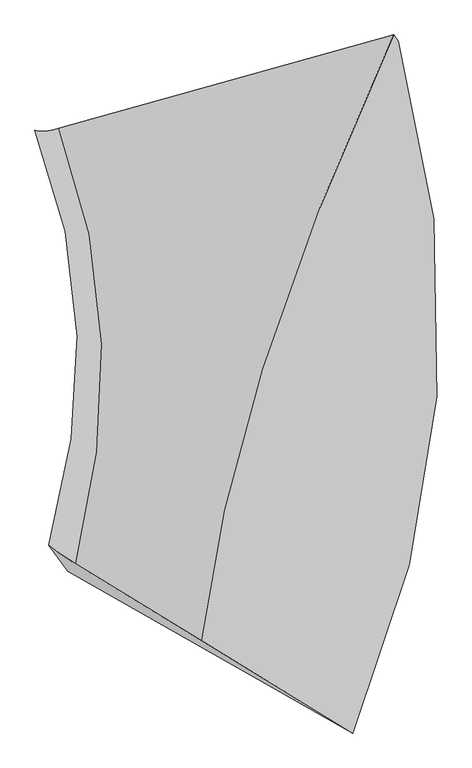
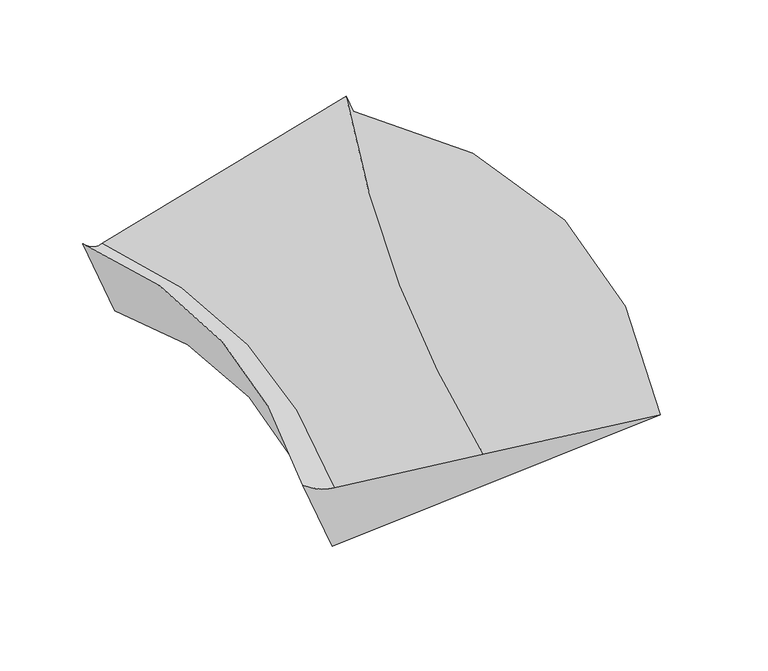
"""IFC4 building model written with IfcOpenShell, lengths in millimetres: proxy geometry."""

from ifc_helpers import new_model, si_unit, frame, origin, place, context, project, spatial, source, transform, mapped, element, save
from ifc_brep_helpers import plane_surface, spline_curve, spline_surface, advanced_brep


def generic_models_adce1bf4(model_context):
    return source(origin(), model_context, "Body", "AdvancedBrep", [
        advanced_brep(
        [(-130.2659938, -7997.3347701, 1482.9609919), (1125.4994805, -8763.8537303, 1911.9389701), (1501.3221624, -3015.2677837, 1368.5625065), (1463.6670553, -2963.1797559, 1499.1654082), (-1179.1352225, -7357.1052312, 1124.6601704), (-1316.9463387, -3738.7331802, 1455.4592316), (-1400.0768174, -7204.5335037, 1136.4823715), (-1516.5273156, -3757.1354788, 1530.4298865), (-1243.9149153, -7420.5510935, 594.8507283), (-1345.6779862, -3993.4700767, 937.8563988)],
        [
            (0, 1),
            (1, 2, spline_curve(3, [(1125.4994805, -8763.8537303, 1911.9389701), (1519.351849156, -7829.839046354, 2013.838066378), (1751.590035603, -6897.868999033, 2023.646204257), (1897.136654469, -4981.417210757, 1854.072326389), (1790.172695204, -3997.191942352, 1663.138700341), (1501.3221624, -3015.2677837, 1368.5625065)], [4, 2, 4], [0.0, 8.775218584543763, 18.084550819628298])),
            (2, 3),
            (3, 0, spline_curve(3, [(1463.6670553, -2963.1797559, 1499.1654082), (1006.505448403, -3955.937943184, 1608.964523053), (643.886055524, -4882.315698558, 1660.811353295), (123.112357622, -6552.968857281, 1648.950738083), (-45.579265593, -7304.642773355, 1591.702435873), (-130.2659938, -7997.3347701, 1482.9609919)], [4, 2, 4], [0.0, 9.309332235084534, 18.084550819628298])),
            (4, 0),
            (3, 5),
            (5, 4, spline_curve(3, [(-1316.9463387, -3738.7331802, 1455.4592316), (-1098.397924717, -4313.048303567, 1470.373909649), (-980.178414537, -4911.329887309, 1448.392050528), (-945.423656972, -6120.125115845, 1334.013348099), (-1017.706128571, -6727.967548929, 1245.728853215), (-1179.1352225, -7357.1052312, 1124.6601704)], [4, 2, 4], [0.0, 7.429513638737233, 14.432766343701662])),
            (6, 4, spline_curve(3, [(-1400.0768174, -7204.5335037, 1136.4823715), (-1386.146534782, -7215.392225007, 1129.628634148), (-1372.056420838, -7226.113491716, 1123.988014906), (-1343.556529962, -7247.281116084, 1115.133012694), (-1329.146753053, -7257.727473739, 1111.91862966), (-1300.007536547, -7278.345279861, 1107.91609994), (-1285.278096868, -7288.516728357, 1107.127953213), (-1255.499554732, -7308.584716243, 1107.977895987), (-1240.450452284, -7318.48125558, 1109.615985467), (-1210.032584516, -7337.99942522, 1115.318400733), (-1194.663819204, -7347.621055503, 1119.382726521), (-1179.1352225, -7357.1052312, 1124.6601704)], [4, 2, 2, 2, 2, 4], [0.0, 0.1524969692832838, 0.3049939385665676, 0.4574909078498514, 0.6099878771331352, 0.7624848464164189])),
            (5, 7, spline_curve(3, [(-1316.9463387, -3738.7331802, 1455.4592316), (-1332.340239965, -3743.60635682, 1454.002392663), (-1347.31644066, -3747.750262064, 1453.8365302), (-1376.43344094, -3754.579529936, 1456.0867584), (-1390.574240585, -3757.264892548, 1458.502849059), (-1418.020438615, -3761.177075052, 1465.916983341), (-1431.325837005, -3762.403894937, 1470.915026922), (-1457.101232795, -3763.398992063, 1483.493067278), (-1469.571230129, -3763.167269321, 1491.073063981), (-1493.675823671, -3761.245281079, 1508.815010419), (-1505.310419954, -3759.555015605, 1518.976960239), (-1516.5273156, -3757.1354788, 1530.4298865)], [4, 2, 2, 2, 2, 4], [0.0, 0.1524969692832837, 0.3049939385665675, 0.4574909078498513, 0.6099878771331351, 0.7624848464164189])),
            (7, 6, spline_curve(3, [(-1516.5273156, -3757.1354788, 1530.4298865), (-1297.409673087, -4303.979405623, 1549.350929546), (-1180.800703437, -4873.829200201, 1523.735288873), (-1153.409100811, -6025.526022379, 1387.455559758), (-1231.201237697, -6604.808902843, 1281.755362191), (-1400.0768174, -7204.5335037, 1136.4823715)], [4, 2, 4], [0.0, 6.086007609214786, 11.822836602897315])),
            (8, 6),
            (7, 9),
            (9, 8, spline_curve(3, [(-1345.6779862, -3993.4700767, 937.8563988), (-1143.247636157, -4517.230596687, 1014.655615717), (-1036.033206645, -5074.08499445, 1021.623979302), (-1012.724590265, -6220.133852127, 899.505672343), (-1086.01799638, -6805.639793308, 778.202085154), (-1243.9149153, -7420.5510935, 594.8507283)], [4, 2, 4], [0.0, 5.9592127855137775, 11.576521682022019])),
            (1, 8),
            (9, 2),
        ],
        [
            spline_surface(3, 3, [[(-130.2659938, -7997.3347701, 1482.9609919), (-45.579265616, -7304.642773301, 1591.702435856), (123.112357689, -6552.968857321, 1648.950738077), (643.886055452, -4882.315698515, 1660.811353302), (1006.50544851, -3955.937943079, 1608.964523174), (1463.6670553, -2963.1797559, 1499.1654082)], [(288.322497651, -8252.84109018, 1625.953651288), (476.064439319, -7479.708197705, 1732.414312689), (665.938250332, -6667.935571264, 1773.849226835), (1061.636255129, -4915.34953588, 1725.231677627), (1267.727864124, -3969.689276183, 1627.022582253), (1476.21875768, -2980.542431815, 1455.631107629)], [(706.910989049, -8508.34741022, 1768.946310712), (997.708144201, -7654.77362207, 1873.126189557), (1208.76414296, -6782.902285218, 1898.747715599), (1479.386454793, -4948.383373256, 1789.652001958), (1528.950279697, -3983.440609342, 1645.080641345), (1488.77046002, -2997.905107785, 1412.096807071)], [(1125.4994805, -8763.8537303, 1911.9389701), (1519.351849137, -7829.839046474, 2013.83806639), (1751.590035602, -6897.868999161, 2023.646204358), (1897.13665447, -4981.417210621, 1854.072326282), (1790.172695311, -3997.191942447, 1663.138700425), (1501.3221624, -3015.2677837, 1368.5625065)]], [4, 4], [4, 2, 4], [0.0, 4.828610089289888], [0.0, 8.775218584543763, 18.084550819628298]),
            spline_surface(3, 3, [[(-1179.1352225, -7357.1052312, 1124.6601704), (-1017.706128518, -6727.967548817, 1245.728853239), (-945.423657006, -6120.125115749, 1334.013348024), (-980.178414501, -4911.329887411, 1448.392050608), (-1098.397924743, -4313.048303518, 1470.373909579), (-1316.9463387, -3738.7331802, 1455.4592316)], [(-829.512146276, -7570.515077494, 1244.093777567), (-693.663840893, -6920.192623639, 1361.053380779), (-589.244985447, -6264.40636294, 1438.992478041), (-438.82359119, -4901.658491112, 1519.198484839), (-396.763466999, -4194.011516726, 1516.570780793), (-390.075207373, -3480.215372121, 1470.027957149)], [(-479.889070024, -7783.924923806, 1363.527384733), (-369.621553241, -7112.417698479, 1476.377908316), (-233.06631387, -6408.687610131, 1543.97160806), (102.531232141, -4891.987094814, 1590.004919071), (304.870990766, -4074.97472987, 1562.76765196), (536.795923973, -3221.697563979, 1484.596682651)], [(-130.2659938, -7997.3347701, 1482.9609919), (-45.579265616, -7304.642773301, 1591.702435856), (123.112357689, -6552.968857321, 1648.950738077), (643.886055452, -4882.315698515, 1660.811353302), (1006.50544851, -3955.937943079, 1608.964523174), (1463.6670553, -2963.1797559, 1499.1654082)]], [4, 4], [4, 2, 4], [0.0, 4.5950005916128], [0.0, 7.003252704964429, 14.432766343701662]),
            spline_surface(3, 3, [[(-1400.0768174, -7204.5335037, 1136.4823715), (-1231.201237606, -6604.808902815, 1281.755362119), (-1153.409100827, -6025.526022402, 1387.455559746), (-1180.80070342, -4873.829200176, 1523.735288886), (-1297.409672986, -4303.979405637, 1549.350929601), (-1516.5273156, -3757.1354788, 1530.4298865)], [(-1386.14653478, -7215.392225009, 1129.628634146), (-1218.866576685, -6613.946777162, 1272.676197938), (-1142.108770008, -6033.115723323, 1376.869857875), (-1170.475241637, -4878.584179952, 1511.52634878), (-1286.954343425, -4307.469497339, 1537.115464217), (-1505.310419953, -3759.555015606, 1518.976960241)], [(-1372.056420837, -7226.113491714, 1123.988014908), (-1206.152246578, -6622.899191878, 1264.932513135), (-1130.295366015, -6040.448805245, 1367.688733572), (-1159.539908271, -4882.888172878, 1500.754620202), (-1275.936589727, -4310.382489348, 1526.274064893), (-1493.675823671, -3761.245281079, 1508.815010419)], [(-1343.556529963, -7247.281116086, 1115.133012692), (-1179.964247654, -6640.433102216, 1252.116102313), (-1105.64241203, -6054.601731332, 1352.135640032), (-1136.449498724, -4890.594185266, 1482.085586029), (-1252.776234351, -4315.054273943, 1507.379398698), (-1469.571230129, -3763.167269321, 1491.073063981)], [(-1329.146753053, -7257.727473737, 1111.918629662), (-1166.490578856, -6649.014597822, 1247.043376241), (-1092.802862005, -6061.42157544, 1345.763670807), (-1124.294422508, -4893.996204672, 1474.188280449), (-1240.633632596, -4316.813066504, 1499.326131742), (-1457.101232794, -3763.398992064, 1483.49306728)], [(-1300.007536547, -7278.345279863, 1107.916099938), (-1138.783902849, -6665.806669804, 1239.568882957), (-1066.097615673, -6074.548025772, 1335.828887468), (-1098.76452698, -4899.898269895, 1461.268092316), (-1215.223580966, -4319.176452291, 1486.007730119), (-1431.325837006, -3762.403894936, 1470.91502692)], [(-1285.27809687, -7288.516728359, 1107.127953216), (-1124.550895559, -6674.0172462, 1237.167115716), (-1052.231919414, -6080.854631967, 1332.266073322), (-1085.389707715, -4902.398315682, 1456.245209733), (-1201.956131155, -4319.781045504, 1480.742595531), (-1418.020438617, -3761.17707505, 1465.91698334)], [(-1255.49955473, -7308.584716241, 1107.977895984), (-1095.32554247, -6690.067479826, 1235.034539971), (-1023.474380735, -6092.954606544, 1327.949600185), (-1057.420326206, -4906.496433739, 1449.07386764), (-1174.296383271, -4319.836032483, 1473.000458481), (-1390.574240583, -3757.26489255, 1458.50284906)], [(-1240.450452286, -7318.481255582, 1109.615985469), (-1080.333196689, -6697.907137012, 1235.30373146), (-1008.582538343, -6098.747974925, 1327.195941217), (-1042.825763991, -4908.094506007, 1446.925408155), (-1159.904085202, -4319.286426248, 1470.523456061), (-1376.433440941, -3754.579529935, 1456.086758401)], [(-1210.032584514, -7337.999425218, 1115.318400731), (-1049.589166518, -6713.215532283, 1238.513073253), (-977.772707317, -6109.821473748, 1328.497778281), (-1012.416896501, -4910.388676899, 1445.502912102), (-1129.994641064, -4317.033014419, 1468.357583583), (-1347.316440659, -3747.750262065, 1453.836530199)], [(-1194.663819203, -7347.621055504, 1119.382726523), (-1033.837482144, -6720.68427036, 1241.453223573), (-961.854718692, -6115.101604215, 1330.553274391), (-996.602591236, -4911.084775547, 1446.228875614), (-1114.477494939, -4315.329208837, 1468.668713531), (-1332.340239964, -3743.606356821, 1454.002392662)], [(-1179.1352225, -7357.1052312, 1124.6601704), (-1017.706128518, -6727.967548817, 1245.728853239), (-945.423657006, -6120.125115749, 1334.013348024), (-980.178414501, -4911.329887411, 1448.392050608), (-1098.397924743, -4313.048303518, 1470.373909579), (-1316.9463387, -3738.7331802, 1455.4592316)]], [4, 2, 2, 2, 2, 4], [4, 2, 4], [0.0, 0.1524969692832838, 0.3049939385665676, 0.4574909078498514, 0.6099878771331352, 0.7624848464164189], [0.0, 5.736828993682529, 11.822836602897315]),
            spline_surface(3, 3, [[(-1243.9149153, -7420.5510935, 594.8507283), (-1086.017996349, -6805.639793279, 778.202085226), (-1012.72459033, -6220.133852179, 899.505672281), (-1036.033206576, -5074.084994395, 1021.623979367), (-1143.247636213, -4517.230596601, 1014.655615787), (-1345.6779862, -3993.4700767, 937.8563988)], [(-1295.968882673, -7348.545230212, 775.394609354), (-1134.412410107, -6738.696163104, 946.053177511), (-1059.619427149, -6155.264575555, 1062.155634771), (-1084.289038844, -5007.333062957, 1188.994415875), (-1194.634981776, -4446.146866271, 1192.887387029), (-1402.627762639, -3914.691877391, 1135.380894671)], [(-1348.022850027, -7276.539366988, 955.938490446), (-1182.806823847, -6671.752532991, 1113.904269833), (-1106.514264008, -6090.395299026, 1224.805597256), (-1132.544871153, -4940.581131614, 1356.364852378), (-1246.022327423, -4375.063135967, 1371.119158359), (-1459.577539161, -3835.913678109, 1332.905390629)], [(-1400.0768174, -7204.5335037, 1136.4823715), (-1231.201237606, -6604.808902815, 1281.755362119), (-1153.409100827, -6025.526022402, 1387.455559746), (-1180.80070342, -4873.829200176, 1523.735288886), (-1297.409672986, -4303.979405637, 1549.350929601), (-1516.5273156, -3757.1354788, 1530.4298865)]], [4, 4], [4, 2, 4], [0.0, 1.8118935249462105], [0.0, 5.617308896508241, 11.576521682022019]),
            spline_surface(3, 3, [[(1125.4994805, -8763.8537303, 1911.9389701), (1519.351849137, -7829.839046474, 2013.83806639), (1751.590035602, -6897.868999161, 2023.646204358), (1897.13665447, -4981.417210621, 1854.072326282), (1790.172695311, -3997.191942447, 1663.138700425), (1501.3221624, -3015.2677837, 1368.5625065)], [(335.694681891, -8316.086184704, 1472.909556183), (650.895233966, -7488.439295413, 1601.959406019), (830.151826956, -6671.957283515, 1648.932693688), (919.413367453, -5012.306471894, 1576.589544), (812.365918123, -4170.538160506, 1446.97767223), (552.322112854, -3341.335214708, 1224.993803951)], [(-454.110116691, -7868.318639096, 1033.880142217), (-217.561381178, -7147.03954434, 1190.080745597), (-91.286381684, -6446.045567825, 1274.21918295), (-58.309919559, -5043.195733122, 1299.106761649), (-165.440859025, -4343.884378542, 1230.816643982), (-396.677936654, -3667.402645692, 1081.425101349)], [(-1243.9149153, -7420.5510935, 594.8507283), (-1086.017996349, -6805.639793279, 778.202085226), (-1012.72459033, -6220.133852179, 899.505672281), (-1036.033206576, -5074.084994395, 1021.623979367), (-1143.247636213, -4517.230596601, 1014.655615787), (-1345.6779862, -3993.4700767, 937.8563988)]], [4, 4], [4, 2, 4], [0.0, 9.92713324996849], [0.0, 7.455265890400218, 15.364305010733123]),
            plane_surface(frame((-242.8324846, -3493.557255, 1358.2946863), z_axis=(-0.23793080537626224, 0.8766288760203861, -0.418223320225257), x_axis=(-0.9361993564816129, -0.32166923407953013, -0.14163216008415008))),
            plane_surface(frame((-674.4068687, -7686.5108897, 1191.9830601), z_axis=(-0.5543907655849375, -0.8156431555257078, 0.16546033324701492), x_axis=(-0.8194290849001081, 0.5001793272507492, -0.2799225167984159))),
        ],
        [
            (0, [[1, 2, 3, 4]]),
            (1, [[5, -4, 6, 7]]),
            (2, [[8, -7, 9, 10]]),
            (3, [[11, -10, 12, 13]]),
            (4, [[14, -13, 15, -2]]),
            (5, [[-15, -12, -9, -6, -3]]),
            (6, [[-1, -5, -8, -11, -14]]),
        ],
    ),
    ])


if __name__ == "__main__":
    model = new_model("IFC4")
    model_context = context("Model", 3, world=origin())
    ifc_project = project(units=[si_unit("LENGTHUNIT", "METRE", prefix="MILLI")], contexts=[model_context])
    site = spatial("IfcSite", under=ifc_project)
    building = spatial("IfcBuilding", under=site)
    placement = place(None, origin())
    generic_models_shape = generic_models_adce1bf4(model_context)
    element("IfcBuildingElementProxy", 1, Name="Generic Models", at=placement, inside=building, context=model_context, shape_type="MappedRepresentation", body=[
        mapped(generic_models_shape, transform((0.0, 0.0, 0.0), x_axis=(1.0, 0.0, 0.0), y_axis=(0.0, 1.0, 0.0), z_axis=(0.0, 0.0, 1.0))),
    ])
    save(model, "model.ifc")
